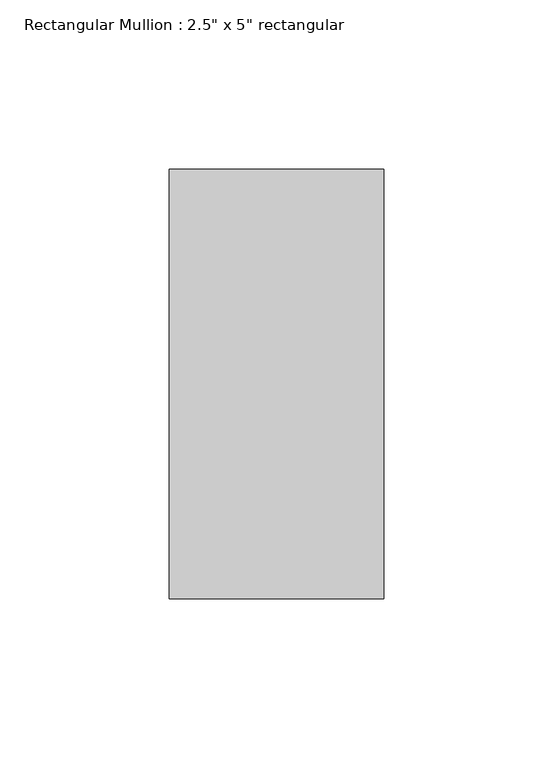
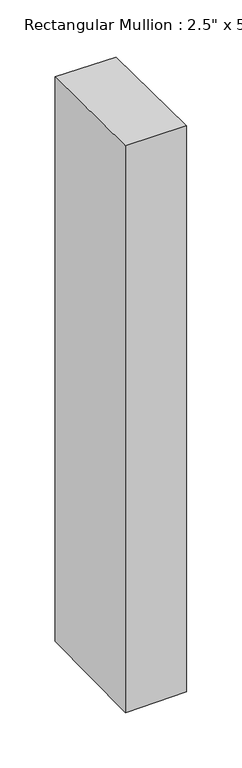
"""IFC4 building model written with IfcOpenShell, lengths in millimetres: member geometry."""

import ifcopenshell
import ifcopenshell.guid

model = None  # the IFC model being written
_history = None  # IfcOwnerHistory: only IFC2X3 demands one
_inside = {}  # id of a spatial element -> (the spatial element, [elements in it])
_under = {}  # id of a project, library or spatial element -> (it, [spatial elements below it])
_declared = {}  # id of a project -> (the project, [libraries it declares])
_typed = {}  # id of a type object -> (the type object, [elements of that type])
_made_of = {}  # id of a material, layer set ... -> (it, [elements and type objects made of it])


def new_model(schema):
    """Start an empty IFC model of exactly this schema.

    Asked for "IFC4X3", IfcOpenShell would pick the latest addendum, in which some entities
    have other attributes; the version numbers below select the first issue.
    IFC2X3 requires an IfcOwnerHistory on every rooted entity: one is made here for all.
    """
    global model, _history
    if schema == "IFC4X3":
        model = ifcopenshell.file(schema_version=(4, 3, 0, 0))
    else:
        model = ifcopenshell.file(schema=schema)
    _inside.clear()
    _under.clear()
    _declared.clear()
    _typed.clear()
    _made_of.clear()
    _history = None
    if model.schema == "IFC2X3":
        org = make("IfcOrganization", Name="unknown")
        user = make(
            "IfcPersonAndOrganization",
            ThePerson=make("IfcPerson", FamilyName="unknown"),
            TheOrganization=org,
        )
        app = make(
            "IfcApplication",
            ApplicationDeveloper=org,
            Version="unknown",
            ApplicationFullName="unknown",
            ApplicationIdentifier="unknown",
        )
        _history = make(
            "IfcOwnerHistory",
            OwningUser=user,
            OwningApplication=app,
            ChangeAction="ADDED",
            CreationDate=0,
        )
    return model


def make(cls, **values):
    """One entity of the class cls with the attributes given. An attribute that is None is left unset."""
    return model.create_entity(
        cls, **{name: value for name, value in values.items() if value is not None}
    )


def rooted(cls, **values):
    """An entity with a GlobalId (a new one), such as an element, a storey or a relation."""
    return make(cls, GlobalId=ifcopenshell.guid.new(), OwnerHistory=_history, **values)


def si_unit(unit_type, name, prefix=None):
    """IfcSIUnit, for example si_unit("LENGTHUNIT", "METRE", prefix="MILLI")."""
    return make("IfcSIUnit", UnitType=unit_type, Prefix=prefix, Name=name)


def assignment(units):
    """IfcUnitAssignment: the units of a project."""
    return None if units is None else make("IfcUnitAssignment", Units=units)


def point(xyz):
    """IfcCartesianPoint."""
    return None if xyz is None else make("IfcCartesianPoint", Coordinates=xyz)


def direction(xyz):
    """IfcDirection."""
    return None if xyz is None else make("IfcDirection", DirectionRatios=xyz)


def frame(location, z_axis=None, x_axis=None):
    """IfcAxis2Placement3D, a coordinate frame: its origin and axes. An axis left out is left unset."""
    return make(
        "IfcAxis2Placement3D",
        Location=point(location),
        Axis=direction(z_axis),
        RefDirection=direction(x_axis),
    )


def origin():
    """The frame at (0, 0, 0) with its axes left unset."""
    return frame((0.0, 0.0, 0.0))


def place(relative_to, where):
    """IfcLocalPlacement: puts the frame where relative to a parent placement (None: the world)."""
    return make(
        "IfcLocalPlacement", PlacementRelTo=relative_to, RelativePlacement=where
    )


def context(
    kind, dimensions, precision=None, world=None, true_north=None, identifier=None
):
    """IfcGeometricRepresentationContext, for example the 3D "Model" context."""
    return make(
        "IfcGeometricRepresentationContext",
        ContextIdentifier=identifier,
        ContextType=kind,
        CoordinateSpaceDimension=dimensions,
        Precision=precision,
        WorldCoordinateSystem=world,
        TrueNorth=true_north,
    )


def project(units=None, contexts=None):
    """IfcProject with its units and contexts."""
    return rooted(
        "IfcProject",
        Name="project",
        RepresentationContexts=contexts,
        UnitsInContext=assignment(units),
    )


def spatial(cls, under=None, at=None, **own):
    """A site, building, storey or space (cls), placed at a placement, below another one or the project."""
    s = rooted(cls, ObjectPlacement=at, **own)
    if under is not None:
        _under.setdefault(under.id(), (under, []))[1].append(s)
    return s


def faces_of(points, faces, orient=None, outer=None):
    """IfcFace entities. A face is a list of loops; a loop is a list of indices into points, from 0.

    orient and outer hold one flag for each loop. By default every Orientation is true, the
    first loop of a face is its IfcFaceOuterBound and the others are IfcFaceBound.
    """
    made = []
    for i, loops in enumerate(faces):
        bounds = []
        for j, loop in enumerate(loops):
            is_outer = j == 0 if outer is None else outer[i][j]
            bounds.append(
                make(
                    "IfcFaceOuterBound" if is_outer else "IfcFaceBound",
                    Bound=make("IfcPolyLoop", Polygon=[points[k] for k in loop]),
                    Orientation=True if orient is None else orient[i][j],
                )
            )
        made.append(make("IfcFace", Bounds=bounds))
    return made


def faceted_brep(points, faces, orient=None, outer=None, voids=None):
    """IfcFacetedBrep: a solid bounded by flat faces; with voids (closed shells), ...WithVoids."""
    shared = [point(p) for p in points]
    hull = make("IfcClosedShell", CfsFaces=faces_of(shared, faces, orient, outer))
    if voids is None:
        return make("IfcFacetedBrep", Outer=hull)
    return make(
        "IfcFacetedBrepWithVoids",
        Outer=hull,
        Voids=[
            make(cls, CfsFaces=faces_of(shared, fs, o, b)) for cls, fs, o, b in voids
        ],
    )


def shape(context_of_items, identifier, shape_type, items):
    """IfcShapeRepresentation: the items that make up one representation, for example the "Body"."""
    return make(
        "IfcShapeRepresentation",
        ContextOfItems=context_of_items,
        RepresentationIdentifier=identifier,
        RepresentationType=shape_type,
        Items=items,
    )


def source(mapping_origin, context_of_items, identifier, shape_type, items):
    """IfcRepresentationMap: a shape defined once, which mapped items show again and again."""
    return make(
        "IfcRepresentationMap",
        MappingOrigin=mapping_origin,
        MappedRepresentation=shape(context_of_items, identifier, shape_type, items),
    )


def transform(
    local_origin,
    x_axis=None,
    y_axis=None,
    z_axis=None,
    scale=None,
    scale2=None,
    scale3=None,
    uniform=True,
):
    """IfcCartesianTransformationOperator3D, or its non-uniform kind. x_axis, y_axis, z_axis: its Axis1, 2, 3."""
    if uniform:
        return make(
            "IfcCartesianTransformationOperator3D",
            Axis1=direction(x_axis),
            Axis2=direction(y_axis),
            LocalOrigin=point(local_origin),
            Scale=scale,
            Axis3=direction(z_axis),
        )
    return make(
        "IfcCartesianTransformationOperator3DnonUniform",
        Axis1=direction(x_axis),
        Axis2=direction(y_axis),
        LocalOrigin=point(local_origin),
        Scale=scale,
        Axis3=direction(z_axis),
        Scale2=scale2,
        Scale3=scale3,
    )


def mapped(mapping_source, mapping_target):
    """IfcMappedItem: shows the shape of a source again, moved by a transform."""
    return make(
        "IfcMappedItem", MappingSource=mapping_source, MappingTarget=mapping_target
    )


def made_of(thing, what):
    """Note that an element or type object is made of a material, layer set ...; save() writes the relation."""
    if what is not None:
        _made_of.setdefault(what.id(), (what, []))[1].append(thing)
    return thing


def element(
    cls,
    number,
    at=None,
    inside=None,
    cuts=None,
    type_object=None,
    material=None,
    context=None,
    identifier="Body",
    shape_type=None,
    held_by="IfcProductDefinitionShape",
    body=None,
    shapes=None,
    **own,
):
    """One element of the class cls, such as IfcWall. Its Tag is "e" and its number.

    at: its placement. inside: the storey or other place that contains it. cuts: it is an
    opening in that element (IfcRelVoidsElement). A single representation is given by context,
    identifier, shape_type and body (its items); several are given by shapes. held_by: the class
    of the entity that holds the representations. save() writes the other relations.
    """
    e = rooted(cls, Tag="e%d" % number, ObjectPlacement=at, **own)
    if body is not None:
        shapes = [shape(context, identifier, shape_type, body)]
    if shapes is not None:
        e.Representation = make(held_by, Representations=shapes)
    if inside is not None:
        _inside.setdefault(inside.id(), (inside, []))[1].append(e)
    if cuts is not None:
        rooted(
            "IfcRelVoidsElement", RelatingBuildingElement=cuts, RelatedOpeningElement=e
        )
    if type_object is not None:
        _typed.setdefault(type_object.id(), (type_object, []))[1].append(e)
    return made_of(e, material)


def aggregate(whole, parts):
    """IfcRelAggregates: a whole, such as a stair, and the parts it consists of."""
    return rooted("IfcRelAggregates", RelatingObject=whole, RelatedObjects=parts)


def save(model, path):
    """Write the relations noted so far, then the file.

    IfcRelAggregates (storeys below a building ...), IfcRelContainedInSpatialStructure (elements
    in a storey), IfcRelDefinesByType, IfcRelAssociatesMaterial and IfcRelDeclares: one each for
    every whole, place, type object, material and project.
    """
    for whole, parts in _under.values():
        aggregate(whole, parts)
    for where, things in _inside.values():
        rooted(
            "IfcRelContainedInSpatialStructure",
            RelatedElements=things,
            RelatingStructure=where,
        )
    for kind, things in _typed.values():
        rooted("IfcRelDefinesByType", RelatedObjects=things, RelatingType=kind)
    for what, things in _made_of.values():
        rooted("IfcRelAssociatesMaterial", RelatedObjects=things, RelatingMaterial=what)
    for by, libraries in _declared.values():
        rooted("IfcRelDeclares", RelatingContext=by, RelatedDefinitions=libraries)
    model.write(path)


def member_5f170b2a(model_context):
    return source(origin(), model_context, "Body", "Brep", [
        faceted_brep([(-63.5, 63.5, -0.157656), (0.0, 63.5, -0.7438243), (0.0, 63.5, -621.1549098), (-63.5, 63.5, -621.6314189), (-63.5, -63.5, 1.3299927), (-63.5, -63.5, -623.1090981), (0.0, -63.5, 0.7438243), (0.0, -63.5, -622.6325891)], [[[0, 1, 2, 3]], [[4, 0, 3, 5]], [[6, 4, 5, 7]], [[1, 6, 7, 2]], [[1, 0, 4, 6]], [[2, 7, 5, 3]]]),
    ])


if __name__ == "__main__":
    model = new_model("IFC4")
    model_context = context("Model", 3, world=origin())
    ifc_project = project(units=[si_unit("LENGTHUNIT", "METRE", prefix="MILLI")], contexts=[model_context])
    site = spatial("IfcSite", under=ifc_project)
    building = spatial("IfcBuilding", under=site)
    placement = place(None, origin())
    member_shape = member_5f170b2a(model_context)
    element("IfcMember", 1, ObjectType="Rectangular Mullion : 2.5\" x 5\" rectangular", at=placement, inside=building, context=model_context, shape_type="MappedRepresentation", body=[
        mapped(member_shape, transform((0.0, 0.0, 0.0), x_axis=(1.0, 0.0, 0.0), y_axis=(0.0, 1.0, 0.0), z_axis=(0.0, 0.0, 1.0))),
    ])
    save(model, "model.ifc")
